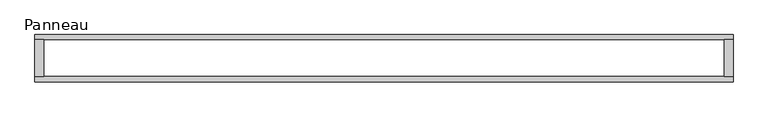
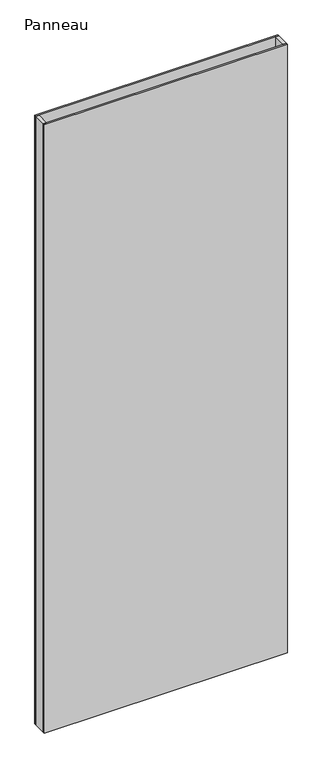
"""IFC4 building model written with IfcOpenShell, lengths in millimetres: plate geometry, Panneau."""

from ifc_helpers import new_model, si_unit, origin, origin_with_axes, place, context, project, spatial, polyline, outline, extrude, source, transform, mapped, element, save


def panneau_4d6be77d(model_context):
    return source(origin(), model_context, "Body", "SweptSolid", [
        extrude(outline(polyline([(-537.1250001, 29.2), (-537.1250001, -29.2), (-551.1250001, -29.2), (-551.1250001, 29.2), (-537.1250001, 29.2)])), origin_with_axes(), (0.0, 0.0, 1.0), 2915.0),
        extrude(outline(polyline([(551.1250001, 29.2), (551.1250001, -29.2), (537.1250001, -29.2), (537.1250001, 29.2), (551.1250001, 29.2)])), origin_with_axes(), (0.0, 0.0, 1.0), 2915.0),
        extrude(outline(polyline([(551.1250001, 29.2), (-551.1250001, 29.2), (-551.1250001, 37.2), (551.1250001, 37.2), (551.1250001, 29.2)])), origin_with_axes(), (0.0, 0.0, 1.0), 2915.0),
        extrude(outline(polyline([(-551.1250001, -37.2), (-551.1250001, -29.2), (551.1250001, -29.2), (551.1250001, -37.2), (-551.1250001, -37.2)])), origin_with_axes(), (0.0, 0.0, 1.0), 2915.0),
    ])


if __name__ == "__main__":
    model = new_model("IFC4")
    model_context = context("Model", 3, world=origin())
    ifc_project = project(units=[si_unit("LENGTHUNIT", "METRE", prefix="MILLI")], contexts=[model_context])
    site = spatial("IfcSite", under=ifc_project)
    building = spatial("IfcBuilding", under=site)
    placement = place(None, origin())
    panneau_shape = panneau_4d6be77d(model_context)
    element("IfcPlate", 1, ObjectType="Panneau", at=placement, inside=building, context=model_context, shape_type="MappedRepresentation", body=[
        mapped(panneau_shape, transform((0.0, 0.0, 0.0), x_axis=(1.0, 0.0, 0.0), y_axis=(0.0, 1.0, 0.0), z_axis=(0.0, 0.0, 1.0))),
    ])
    save(model, "model.ifc")
